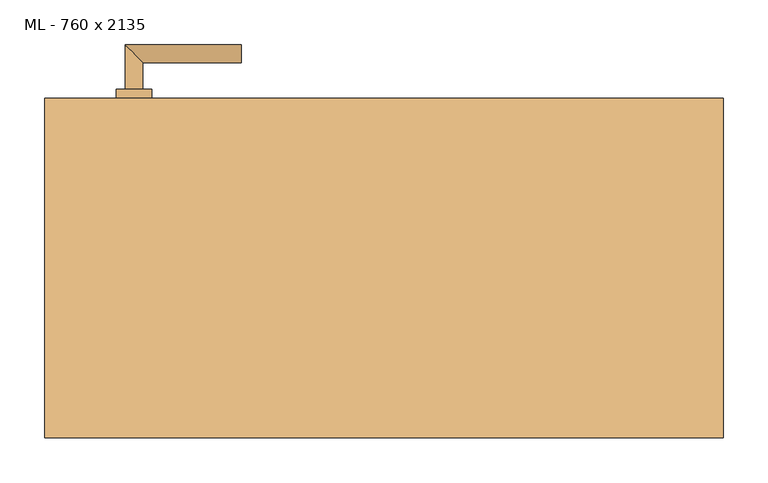
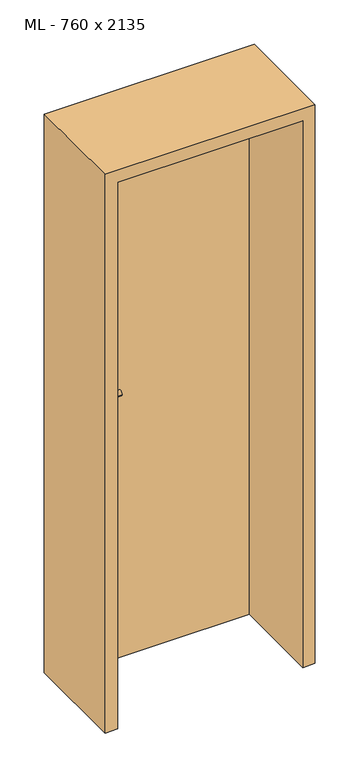
"""IFC4 building model written with IfcOpenShell, lengths in millimetres: door geometry, ML - 760 x 2135."""

from ifc_helpers import new_model, si_unit, point, frame, frame_2d, origin, origin_with_axes, place, context, project, spatial, polyline, circle_curve, ellipse_curve, trimmed, segment, composite_curve, outline, extrude, faceted_brep, source, transform, mapped, element, save
from ifc_brep_helpers import plane_surface, cylinder_surface, advanced_brep


def ml_760_x_2135_a3acfaf5(model_context):
    return source(origin(), model_context, "Body", "SolidModel", [
        extrude(outline(polyline([(346.0, 190.0), (346.0, 145.0), (-346.0, 145.0), (-346.0, 190.0), (346.0, 190.0)])), origin_with_axes(), (0.0, 0.0, 1.0), 2101.0),
        advanced_brep(
        [(-270.0, 200.0, 1050.0), (-290.0, 200.0, 1050.0), (-270.0, 230.0, 1050.0), (-290.0, 250.0, 1050.0), (-160.0, 230.0, 1050.0), (-160.0, 250.0, 1050.0)],
        [
            (0, 1, circle_curve(frame((-280.0, 200.0, 1050.0), z_axis=(0.0, -1.0, 0.0), x_axis=(-1.0, 0.0, 0.0)), 10.0)),
            (1, 0, circle_curve(frame((-280.0, 200.0, 1050.0), z_axis=(0.0, -1.0, 0.0), x_axis=(-1.0, 0.0, 0.0)), 10.0)),
            (0, 2),
            (2, 3, ellipse_curve(frame((-280.0, 240.0, 1050.0), z_axis=(-0.7071067811865531, -0.7071067811865419, 0.0), x_axis=(0.707106781186542, -0.707106781186553, 0.0)), 14.1421356, 10.0)),
            (3, 1),
            (3, 2, ellipse_curve(frame((-280.0, 240.0, 1050.0), z_axis=(-0.7071067811865531, -0.7071067811865419, 0.0), x_axis=(0.707106781186542, -0.707106781186553, 0.0)), 14.1421356, 10.0)),
            (4, 5, circle_curve(frame((-160.0, 240.0, 1050.0), z_axis=(1.0, 0.0, 0.0), x_axis=(0.0, 1.0, 0.0)), 10.0)),
            (5, 4, circle_curve(frame((-160.0, 240.0, 1050.0), z_axis=(1.0, 0.0, 0.0), x_axis=(0.0, 1.0, 0.0)), 10.0)),
            (2, 4),
            (5, 3),
        ],
        [
            plane_surface(frame((-280.0, 200.0, 1050.0), z_axis=(0.0, -1.0, 0.0), x_axis=(0.0, 0.0, 1.0))),
            cylinder_surface(frame((-280.0, 200.0, 1050.0), z_axis=(0.0, -1.0, 0.0), x_axis=(-1.0, 0.0, 0.0)), 10.0),
            plane_surface(frame((-160.0, 240.0, 1050.0), z_axis=(1.0, 0.0, 0.0), x_axis=(0.0, 0.0, 1.0))),
            cylinder_surface(frame((-280.0, 240.0, 1050.0), z_axis=(-1.0, 0.0, 0.0), x_axis=(0.0, 1.0, 0.0)), 10.0),
        ],
        [
            (0, [[1, 2]]),
            (1, [[-1, 3, 4, 5]]),
            (1, [[-2, -5, 6, -3]]),
            (2, [[7, 8]]),
            (3, [[-4, 9, -8, 10]]),
            (3, [[-6, -10, -7, -9]]),
        ],
    ),
        extrude(outline(composite_curve([segment(trimmed(circle_curve(frame_2d((990.0, -280.0)), 20.0), [point((990.0, -300.0))], [point((990.0, -260.0))], False, "CARTESIAN"), True, "CONTINUOUS"), segment(trimmed(circle_curve(frame_2d((990.0, -280.0)), 20.0), [point((990.0, -260.0))], [point((990.0, -300.0))], False, "CARTESIAN"), True, "CONTINUOUS")], self_intersect=False), holes=[composite_curve([segment(polyline([(976.4601385, -282.397268), (988.4749012, -282.397268)]), True, "CONTINUOUS"), segment(trimmed(circle_curve(frame_2d((995.0361633, -280.0)), 6.9854888), [point((988.4749012, -282.397268))], [point((988.4749012, -277.602732))], True, "CARTESIAN"), True, "CONTINUOUS"), segment(polyline([(988.4749012, -277.602732), (976.4601385, -277.602732)]), True, "CONTINUOUS"), segment(trimmed(circle_curve(frame_2d((976.4601385, -280.0)), 2.397268), [point((976.4601385, -277.602732))], [point((976.4601385, -282.397268))], True, "CARTESIAN"), True, "CONTINUOUS")], self_intersect=False)]), frame((0.0, 190.0, 0.0), z_axis=(0.0, 1.0, 0.0), x_axis=(0.0, 0.0, 1.0)), (0.0, 0.0, 1.0), 10.0),
        advanced_brep(
        [(-270.0, 200.0, 1050.0), (-290.0, 200.0, 1050.0), (-270.0, 230.0, 1050.0), (-290.0, 250.0, 1050.0), (-160.0, 230.0, 1050.0), (-160.0, 250.0, 1050.0)],
        [
            (0, 1, circle_curve(frame((-280.0, 200.0, 1050.0), z_axis=(0.0, -1.0, 0.0), x_axis=(-1.0, 0.0, 0.0)), 10.0)),
            (1, 0, circle_curve(frame((-280.0, 200.0, 1050.0), z_axis=(0.0, -1.0, 0.0), x_axis=(-1.0, 0.0, 0.0)), 10.0)),
            (0, 2),
            (2, 3, ellipse_curve(frame((-280.0, 240.0, 1050.0), z_axis=(-0.7071067811865537, -0.7071067811865414, 0.0), x_axis=(0.7071067811865414, -0.7071067811865536, 0.0)), 14.1421356, 10.0)),
            (3, 1),
            (3, 2, ellipse_curve(frame((-280.0, 240.0, 1050.0), z_axis=(-0.7071067811865537, -0.7071067811865414, 0.0), x_axis=(0.7071067811865414, -0.7071067811865536, 0.0)), 14.1421356, 10.0)),
            (4, 5, circle_curve(frame((-160.0, 240.0, 1050.0), z_axis=(1.0, 0.0, 0.0), x_axis=(0.0, 1.0, 0.0)), 10.0)),
            (5, 4, circle_curve(frame((-160.0, 240.0, 1050.0), z_axis=(1.0, 0.0, 0.0), x_axis=(0.0, 1.0, 0.0)), 10.0)),
            (2, 4),
            (5, 3),
        ],
        [
            plane_surface(frame((-280.0, 200.0, 1050.0), z_axis=(0.0, -1.0, 0.0), x_axis=(0.0, 0.0, 1.0))),
            cylinder_surface(frame((-280.0, 200.0, 1050.0), z_axis=(0.0, -1.0, 0.0), x_axis=(-1.0, 0.0, 0.0)), 10.0),
            plane_surface(frame((-160.0, 240.0, 1050.0), z_axis=(1.0, 0.0, 0.0), x_axis=(0.0, 0.0, 1.0))),
            cylinder_surface(frame((-280.0, 240.0, 1050.0), z_axis=(-1.0, 0.0, 0.0), x_axis=(0.0, 1.0, 0.0)), 10.0),
        ],
        [
            (0, [[1, 2]]),
            (1, [[-1, 3, 4, 5]]),
            (1, [[-2, -5, 6, -3]]),
            (2, [[7, 8]]),
            (3, [[-4, 9, -8, 10]]),
            (3, [[-6, -10, -7, -9]]),
        ],
    ),
        extrude(outline(composite_curve([segment(trimmed(circle_curve(frame_2d((1050.0, -280.0)), 20.0), [point((1050.0, -300.0))], [point((1050.0, -260.0))], False, "CARTESIAN"), True, "CONTINUOUS"), segment(trimmed(circle_curve(frame_2d((1050.0, -280.0)), 20.0), [point((1050.0, -260.0))], [point((1050.0, -300.0))], False, "CARTESIAN"), True, "CONTINUOUS")], self_intersect=False)), frame((0.0, 190.0, 0.0), z_axis=(0.0, 1.0, 0.0), x_axis=(0.0, 0.0, 1.0)), (0.0, 0.0, 1.0), 10.0),
        advanced_brep(
        [(-270.0, 135.0, 1050.0), (-290.0, 135.0, 1050.0), (-290.0, 85.0, 1050.0), (-270.0, 105.0, 1050.0), (-160.0, 105.0, 1050.0), (-160.0, 85.0, 1050.0)],
        [
            (0, 1, circle_curve(frame((-280.0, 135.0, 1050.0), z_axis=(0.0, 1.0, 0.0), x_axis=(-1.0, 0.0, 0.0)), 10.0)),
            (1, 0, circle_curve(frame((-280.0, 135.0, 1050.0), z_axis=(0.0, 1.0, 0.0), x_axis=(-1.0, 0.0, 0.0)), 10.0)),
            (1, 2),
            (2, 3, ellipse_curve(frame((-280.0, 95.0, 1050.0), z_axis=(-0.7071067811865486, 0.7071067811865464, 0.0), x_axis=(0.7071067811865464, 0.7071067811865488, 0.0)), 14.1421356, 10.0)),
            (3, 0),
            (3, 2, ellipse_curve(frame((-280.0, 95.0, 1050.0), z_axis=(-0.7071067811865486, 0.7071067811865464, 0.0), x_axis=(0.7071067811865464, 0.7071067811865488, 0.0)), 14.1421356, 10.0)),
            (4, 5, circle_curve(frame((-160.0, 95.0, 1050.0), z_axis=(1.0, 0.0, 0.0), x_axis=(0.0, -1.0, 0.0)), 10.0)),
            (5, 4, circle_curve(frame((-160.0, 95.0, 1050.0), z_axis=(1.0, 0.0, 0.0), x_axis=(0.0, -1.0, 0.0)), 10.0)),
            (2, 5),
            (4, 3),
        ],
        [
            plane_surface(frame((-280.0, 135.0, 1050.0), z_axis=(0.0, 1.0, 0.0), x_axis=(0.0, 0.0, 1.0))),
            cylinder_surface(frame((-280.0, 135.0, 1050.0), z_axis=(0.0, 1.0, 0.0), x_axis=(-1.0, 0.0, 0.0)), 10.0),
            plane_surface(frame((-160.0, 95.0, 1050.0), z_axis=(1.0, 0.0, 0.0), x_axis=(0.0, 0.0, 1.0))),
            cylinder_surface(frame((-280.0, 95.0, 1050.0), z_axis=(-1.0, 0.0, 0.0), x_axis=(0.0, -1.0, 0.0)), 10.0),
        ],
        [
            (0, [[1, 2]]),
            (1, [[3, 4, 5, -2]]),
            (1, [[-5, 6, -3, -1]]),
            (2, [[7, 8]]),
            (3, [[9, -7, 10, -4]]),
            (3, [[-10, -8, -9, -6]]),
        ],
    ),
        extrude(outline(composite_curve([segment(trimmed(circle_curve(frame_2d((990.0, -280.0)), 20.0), [point((990.0, -300.0))], [point((990.0, -260.0))], False, "CARTESIAN"), True, "CONTINUOUS"), segment(trimmed(circle_curve(frame_2d((990.0, -280.0)), 20.0), [point((990.0, -260.0))], [point((990.0, -300.0))], False, "CARTESIAN"), True, "CONTINUOUS")], self_intersect=False), holes=[composite_curve([segment(polyline([(976.4601385, -282.397268), (988.4749012, -282.397268)]), True, "CONTINUOUS"), segment(trimmed(circle_curve(frame_2d((995.0361633, -280.0)), 6.9854888), [point((988.4749012, -282.397268))], [point((988.4749012, -277.602732))], True, "CARTESIAN"), True, "CONTINUOUS"), segment(polyline([(988.4749012, -277.602732), (976.4601385, -277.602732)]), True, "CONTINUOUS"), segment(trimmed(circle_curve(frame_2d((976.4601385, -280.0)), 2.397268), [point((976.4601385, -277.602732))], [point((976.4601385, -282.397268))], True, "CARTESIAN"), True, "CONTINUOUS")], self_intersect=False)]), frame((0.0, 135.0, 0.0), z_axis=(0.0, 1.0, 0.0), x_axis=(0.0, 0.0, 1.0)), (0.0, 0.0, 1.0), 10.0),
        advanced_brep(
        [(-270.0, 135.0, 1050.0), (-290.0, 135.0, 1050.0), (-290.0, 85.0, 1050.0), (-270.0, 105.0, 1050.0), (-160.0, 105.0, 1050.0), (-160.0, 85.0, 1050.0)],
        [
            (0, 1, circle_curve(frame((-280.0, 135.0, 1050.0), z_axis=(0.0, 1.0, 0.0), x_axis=(-1.0, 0.0, 0.0)), 10.0)),
            (1, 0, circle_curve(frame((-280.0, 135.0, 1050.0), z_axis=(0.0, 1.0, 0.0), x_axis=(-1.0, 0.0, 0.0)), 10.0)),
            (1, 2),
            (2, 3, ellipse_curve(frame((-280.0, 95.0, 1050.0), z_axis=(-0.7071067811865491, 0.7071067811865459, 0.0), x_axis=(0.7071067811865458, 0.7071067811865492, 0.0)), 14.1421356, 10.0)),
            (3, 0),
            (3, 2, ellipse_curve(frame((-280.0, 95.0, 1050.0), z_axis=(-0.7071067811865491, 0.7071067811865459, 0.0), x_axis=(0.7071067811865458, 0.7071067811865492, 0.0)), 14.1421356, 10.0)),
            (4, 5, circle_curve(frame((-160.0, 95.0, 1050.0), z_axis=(1.0, 0.0, 0.0), x_axis=(0.0, -1.0, 0.0)), 10.0)),
            (5, 4, circle_curve(frame((-160.0, 95.0, 1050.0), z_axis=(1.0, 0.0, 0.0), x_axis=(0.0, -1.0, 0.0)), 10.0)),
            (2, 5),
            (4, 3),
        ],
        [
            plane_surface(frame((-280.0, 135.0, 1050.0), z_axis=(0.0, 1.0, 0.0), x_axis=(0.0, 0.0, 1.0))),
            cylinder_surface(frame((-280.0, 135.0, 1050.0), z_axis=(0.0, 1.0, 0.0), x_axis=(-1.0, 0.0, 0.0)), 10.0),
            plane_surface(frame((-160.0, 95.0, 1050.0), z_axis=(1.0, 0.0, 0.0), x_axis=(0.0, 0.0, 1.0))),
            cylinder_surface(frame((-280.0, 95.0, 1050.0), z_axis=(-1.0, 0.0, 0.0), x_axis=(0.0, -1.0, 0.0)), 10.0),
        ],
        [
            (0, [[1, 2]]),
            (1, [[3, 4, 5, -2]]),
            (1, [[-5, 6, -3, -1]]),
            (2, [[7, 8]]),
            (3, [[9, -7, 10, -4]]),
            (3, [[-10, -8, -9, -6]]),
        ],
    ),
        extrude(outline(composite_curve([segment(trimmed(circle_curve(frame_2d((1050.0, -280.0)), 20.0), [point((1050.0, -300.0))], [point((1050.0, -260.0))], False, "CARTESIAN"), True, "CONTINUOUS"), segment(trimmed(circle_curve(frame_2d((1050.0, -280.0)), 20.0), [point((1050.0, -260.0))], [point((1050.0, -300.0))], False, "CARTESIAN"), True, "CONTINUOUS")], self_intersect=False)), frame((0.0, 135.0, 0.0), z_axis=(0.0, 1.0, 0.0), x_axis=(0.0, 0.0, 1.0)), (0.0, 0.0, 1.0), 10.0),
        faceted_brep([(-350.0, 190.0, 0.0), (-350.0, 145.0, 0.0), (-335.0, 145.0, 0.0), (-335.0, -190.0, 0.0), (-380.0, -190.0, 0.0), (-380.0, 190.0, 0.0), (-350.0, 190.0, 2105.0), (-350.0, 145.0, 2105.0), (350.0, 145.0, 2105.0), (350.0, 145.0, 0.0), (335.0, 145.0, 0.0), (335.0, 145.0, 2090.0), (-335.0, 145.0, 2090.0), (-335.0, -190.0, 2090.0), (335.0, -190.0, 2090.0), (335.0, -190.0, 0.0), (380.0, -190.0, 0.0), (380.0, -190.0, 2135.0), (-380.0, -190.0, 2135.0), (-380.0, 190.0, 2135.0), (380.0, 190.0, 2135.0), (380.0, 190.0, 0.0), (350.0, 190.0, 0.0), (350.0, 190.0, 2105.0)], [[[0, 1, 2, 3, 4, 5]], [[1, 0, 6, 7]], [[2, 1, 7, 8, 9, 10, 11, 12]], [[3, 2, 12, 13]], [[4, 3, 13, 14, 15, 16, 17, 18]], [[5, 4, 18, 19]], [[0, 5, 19, 20, 21, 22, 23, 6]], [[20, 17, 16, 21]], [[22, 21, 16, 15, 10, 9]], [[8, 23, 22, 9]], [[14, 11, 10, 15]], [[19, 18, 17, 20]], [[13, 12, 11, 14]], [[7, 6, 23, 8]]]),
    ])


if __name__ == "__main__":
    model = new_model("IFC4")
    model_context = context("Model", 3, world=origin())
    ifc_project = project(units=[si_unit("LENGTHUNIT", "METRE", prefix="MILLI")], contexts=[model_context])
    site = spatial("IfcSite", under=ifc_project)
    building = spatial("IfcBuilding", under=site)
    placement = place(None, origin())
    ml_760_x_2135_shape = ml_760_x_2135_a3acfaf5(model_context)
    element("IfcDoor", 1, ObjectType="ML - 760 x 2135", at=placement, inside=building, context=model_context, shape_type="MappedRepresentation", body=[
        mapped(ml_760_x_2135_shape, transform((0.0, 0.0, 0.0), x_axis=(1.0, 0.0, 0.0), y_axis=(0.0, 1.0, 0.0), z_axis=(0.0, 0.0, 1.0))),
    ])
    save(model, "model.ifc")
